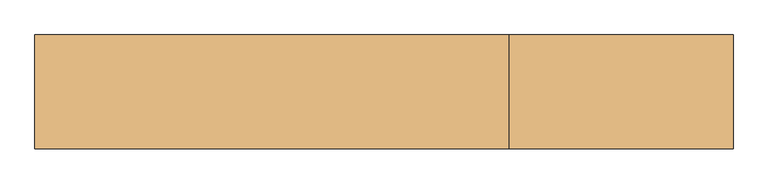
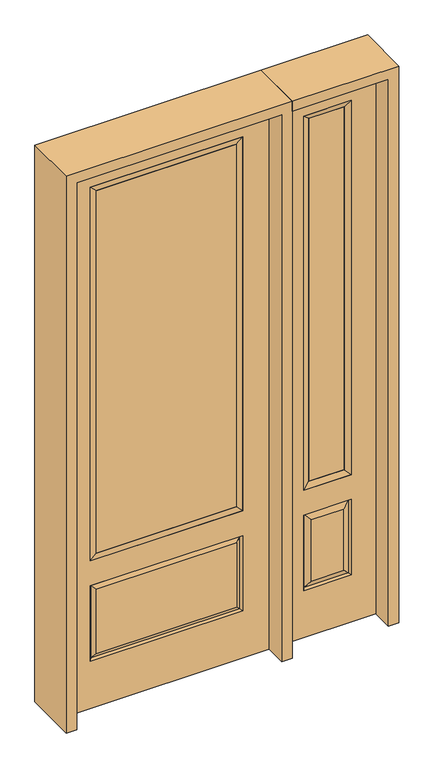
"""IFC4 building model written with IfcOpenShell, lengths in millimetres: door geometry."""

from ifc_helpers import new_model, si_unit, frame, origin, place, context, project, spatial, polyline, outline, extrude, faceted_brep, source, transform, mapped, element, save


def door_90e27910(model_context):
    return source(origin(), model_context, "Body", "SolidModel", [
        faceted_brep([(476.25, -22.225, 0.0), (882.65, -22.225, 0.0), (882.65, -22.225, 2438.4), (476.25, -22.225, 2438.4), (779.78, -22.225, 2325.624), (779.78, -22.225, 657.098), (579.12, -22.225, 657.098), (579.12, -22.225, 2325.624), (779.78, -22.225, 209.55), (579.12, -22.225, 209.55), (579.12, -22.225, 546.1), (779.78, -22.225, 546.1), (610.8351001, -22.225, 241.2651001), (748.0648999, -22.225, 241.2651001), (748.0648999, -22.225, 514.3848999), (610.8351001, -22.225, 514.3848999), (476.25, 22.225, 0.0), (476.25, 22.225, 2438.4), (882.65, 22.225, 2438.4), (882.65, 22.225, 0.0), (779.78, 22.225, 2325.624), (579.12, 22.225, 2325.624), (579.12, 22.225, 657.098), (779.78, 22.225, 657.098), (579.12, 22.225, 209.55), (779.78, 22.225, 209.55), (779.78, 22.225, 546.1), (579.12, 22.225, 546.1), (748.0648999, 22.225, 241.2651001), (610.8351001, 22.225, 241.2651001), (610.8351001, 22.225, 514.3848999), (748.0648999, 22.225, 514.3848999), (772.6711499, 12.7912373, 216.6588501), (586.2288501, 12.7912373, 216.6588501), (586.2288501, 12.7912373, 538.9911499), (772.6711499, 12.7912373, 538.9911499), (586.2288501, -12.7912373, 216.6588501), (772.6711499, -12.7912373, 216.6588501), (586.2288501, -12.7912373, 538.9911499), (772.6711499, -12.7912373, 538.9911499)], [[[0, 1, 2, 3], [4, 5, 6, 7], [8, 9, 10, 11]], [[12, 13, 14, 15]], [[16, 17, 18, 19], [20, 21, 22, 23], [24, 25, 26, 27]], [[28, 29, 30, 31]], [[1, 0, 16, 19]], [[2, 1, 19, 18]], [[3, 2, 18, 17]], [[0, 3, 17, 16]], [[5, 4, 20, 23]], [[6, 5, 23, 22]], [[7, 6, 22, 21]], [[4, 7, 21, 20]], [[32, 33, 29, 28]], [[33, 32, 25, 24]], [[29, 33, 34, 30]], [[33, 24, 27, 34]], [[30, 34, 35, 31]], [[34, 27, 26, 35]], [[32, 28, 31, 35]], [[25, 32, 35, 26]], [[12, 36, 37, 13]], [[37, 36, 9, 8]], [[36, 12, 15, 38]], [[9, 36, 38, 10]], [[38, 15, 14, 39]], [[10, 38, 39, 11]], [[13, 37, 39, 14]], [[37, 8, 11, 39]]]),
        faceted_brep([(579.12, 22.225, 2325.624), (579.12, -22.225, 2325.624), (779.78, -22.225, 2325.624), (779.78, 22.225, 2325.624), (604.52, 12.7, 2300.224), (754.38, 12.7, 2300.224), (604.52, -12.7, 2300.224), (754.38, -12.7, 2300.224), (779.78, -22.225, 657.098), (779.78, 22.225, 657.098), (754.38, 12.7, 682.498), (754.38, -12.7, 682.498), (579.12, -22.225, 657.098), (579.12, 22.225, 657.098), (604.52, 12.7, 682.498), (604.52, -12.7, 682.498)], [[[0, 1, 2, 3]], [[4, 0, 3, 5]], [[6, 4, 5, 7]], [[1, 6, 7, 2]], [[3, 2, 8, 9]], [[5, 3, 9, 10]], [[7, 5, 10, 11]], [[2, 7, 11, 8]], [[9, 8, 12, 13]], [[10, 9, 13, 14]], [[11, 10, 14, 15]], [[8, 11, 15, 12]], [[13, 12, 1, 0]], [[14, 13, 0, 4]], [[15, 14, 4, 6]], [[12, 15, 6, 1]]]),
        extrude(outline(polyline([(754.38, -12.7), (604.52, -12.7), (604.52, 12.7), (754.38, 12.7), (754.38, -12.7)])), frame((0.0, 0.0, 682.498), z_axis=(0.0, 0.0, 1.0), x_axis=(1.0, 0.0, 0.0)), (0.0, 0.0, 1.0), 1617.726),
        extrude(outline(polyline([(295.275, -20.32), (-295.275, -20.32), (-295.275, 5.08), (295.275, 5.08), (295.275, -20.32)])), frame((0.0, 0.0, 682.498), z_axis=(0.0, 0.0, 1.0), x_axis=(1.0, 0.0, 0.0)), (0.0, 0.0, 1.0), 1616.202),
        faceted_brep([(-313.5661499, -12.7912373, 216.6588501), (313.5661499, -12.7912373, 216.6588501), (296.06875, -22.225, 234.15625), (-296.06875, -22.225, 234.15625), (-320.675, -22.225, 209.55), (320.675, -22.225, 209.55), (-313.5661499, -12.7912373, 538.9911499), (-320.675, -22.225, 546.1), (296.06875, -22.225, 521.49375), (-296.06875, -22.225, 521.49375), (431.8, -22.225, 2438.4), (-431.8, -22.225, 2438.4), (-431.8, -22.225, 0.0), (431.8, -22.225, 0.0), (320.675, -22.225, 546.1), (320.675, -22.225, 2324.1), (320.675, -22.225, 657.098), (-320.675, -22.225, 657.098), (-320.675, -22.225, 2324.1), (313.5661499, -12.7912373, 538.9911499), (-431.8, 22.225, 2438.4), (-431.8, 22.225, 0.0), (431.8, 22.225, 0.0), (431.8, 22.225, 2438.4), (320.675, 22.225, 2324.1), (320.675, 22.225, 657.098), (-320.675, 22.225, 657.098), (-320.675, 22.225, 2324.1), (-320.675, 22.225, 209.55), (320.675, 22.225, 209.55), (320.675, 22.225, 546.1), (-320.675, 22.225, 546.1), (296.06875, 22.225, 234.15625), (-296.06875, 22.225, 234.15625), (-296.06875, 22.225, 521.49375), (296.06875, 22.225, 521.49375), (-313.5661499, 12.7912373, 216.6588501), (313.5661499, 12.7912373, 216.6588501), (313.5661499, 12.7912373, 538.9911499), (-313.5661499, 12.7912373, 538.9911499)], [[[0, 1, 2, 3]], [[1, 0, 4, 5]], [[4, 0, 6, 7]], [[3, 2, 8, 9]], [[10, 11, 12, 13], [5, 4, 7, 14], [15, 16, 17, 18]], [[1, 5, 14, 19]], [[2, 1, 19, 8]], [[0, 3, 9, 6]], [[7, 6, 19, 14]], [[6, 9, 8, 19]], [[12, 11, 20, 21]], [[13, 12, 21, 22]], [[10, 13, 22, 23]], [[16, 15, 24, 25]], [[17, 16, 25, 26]], [[18, 17, 26, 27]], [[23, 22, 21, 20], [28, 29, 30, 31], [24, 27, 26, 25]], [[32, 33, 34, 35]], [[28, 36, 37, 29]], [[29, 37, 38, 30]], [[39, 31, 30, 38]], [[36, 28, 31, 39]], [[37, 36, 33, 32]], [[33, 36, 39, 34]], [[34, 39, 38, 35]], [[37, 32, 35, 38]], [[11, 10, 23, 20]], [[15, 18, 27, 24]]]),
        faceted_brep([(-320.675, -22.225, 2324.1), (-320.675, 22.225, 2324.1), (-320.675, 22.225, 657.098), (-320.675, -22.225, 657.098), (320.675, 22.225, 657.098), (320.675, -22.225, 657.098), (-295.275, 5.08, 682.498), (295.275, 5.08, 682.498), (320.675, 22.225, 2324.1), (320.675, -22.225, 2324.1), (-295.275, -20.32, 682.498), (295.275, -20.32, 682.498), (-295.275, -20.32, 2298.7), (295.275, -20.32, 2298.7), (-295.275, 5.08, 2298.7), (295.275, 5.08, 2298.7)], [[[0, 1, 2, 3]], [[3, 2, 4, 5]], [[2, 6, 7, 4]], [[5, 4, 8, 9]], [[10, 3, 5, 11]], [[12, 0, 3, 10]], [[11, 5, 9, 13]], [[6, 10, 11, 7]], [[14, 12, 10, 6]], [[7, 11, 13, 15]], [[1, 14, 6, 2]], [[4, 7, 15, 8]], [[9, 8, 1, 0]], [[13, 9, 0, 12]], [[15, 13, 12, 14]], [[8, 15, 14, 1]]]),
        extrude(outline(polyline([(2482.85, -476.25), (0.0, -476.25), (0.0, -431.8), (2438.4, -431.8), (2438.4, 431.8), (0.0, 431.8), (0.0, 476.25), (2482.85, 476.25), (2482.85, -476.25)])), frame((0.0, -114.3, 0.0), z_axis=(0.0, 1.0, 0.0), x_axis=(0.0, 0.0, 1.0)), (0.0, 0.0, 1.0), 228.6),
        extrude(outline(polyline([(0.0, 882.65), (0.0, 927.1), (2482.85, 927.1), (2482.85, 476.25), (2438.4, 476.25), (2438.4, 882.65), (0.0, 882.65)])), frame((0.0, -114.3, 0.0), z_axis=(0.0, 1.0, 0.0), x_axis=(0.0, 0.0, 1.0)), (0.0, 0.0, 1.0), 228.6),
    ])


if __name__ == "__main__":
    model = new_model("IFC4")
    model_context = context("Model", 3, world=origin())
    ifc_project = project(units=[si_unit("LENGTHUNIT", "METRE", prefix="MILLI")], contexts=[model_context])
    site = spatial("IfcSite", under=ifc_project)
    building = spatial("IfcBuilding", under=site)
    placement = place(None, origin())
    door_shape = door_90e27910(model_context)
    element("IfcDoor", 1, at=placement, inside=building, context=model_context, shape_type="MappedRepresentation", body=[
        mapped(door_shape, transform((0.0, 0.0, 0.0), x_axis=(1.0, 0.0, 0.0), y_axis=(0.0, 1.0, 0.0), z_axis=(0.0, 0.0, 1.0))),
    ])
    save(model, "model.ifc")
